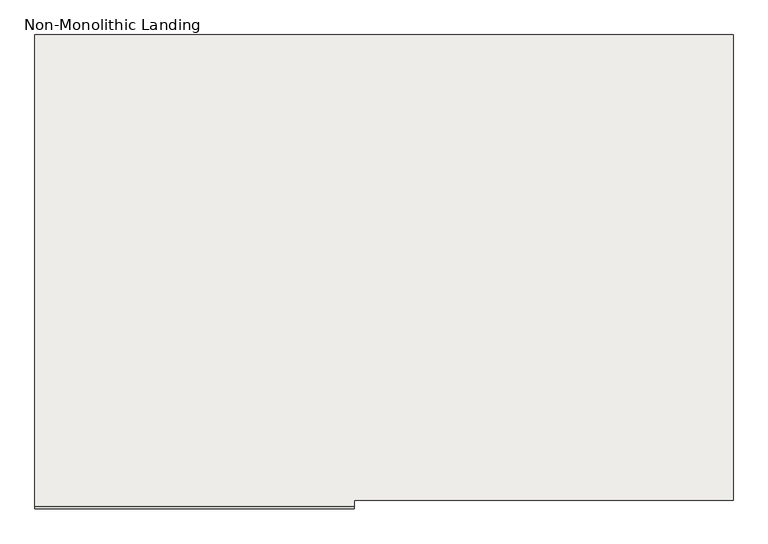
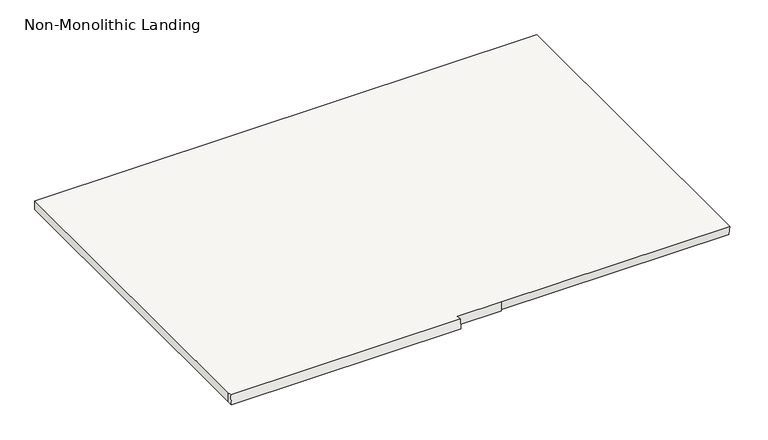
"""IFC4 building model written with IfcOpenShell, lengths in millimetres: slab geometry, Non-Monolithic Landing."""

from ifc_helpers import new_model, si_unit, origin, place, context, project, spatial, faceted_brep, source, transform, mapped, element, save


def non_monolithic_landing_603e83fd(model_context):
    return source(origin(), model_context, "Body", "Brep", [
        faceted_brep([(-21690.9759967, 13746.9510942, 1300.0), (-21690.9759967, 13739.2587865, 1250.0), (-20455.7759967, 13739.2587865, 1250.0), (-20455.7759967, 13746.9510942, 1300.0), (-18990.9759967, 13771.9510942, 1300.0), (-18990.9759967, 15571.9510942, 1300.0), (-21690.9759967, 15571.9510942, 1300.0), (-21690.9759967, 13771.9510942, 1300.0), (-20455.7759967, 13771.9510942, 1300.0), (-20221.0106474, 13771.9510942, 1300.0), (-21690.9759967, 15571.9510942, 1250.0), (-18990.9759967, 15571.9510942, 1250.0), (-18990.9759967, 13779.6434019, 1250.0), (-20221.0106474, 13779.6434019, 1250.0), (-20221.0106474, 13771.9510942, 1250.0), (-20455.7759967, 13771.9510942, 1250.0), (-21690.9759967, 13771.9510942, 1250.0)], [[[0, 1, 2, 3]], [[4, 5, 6, 7, 0, 3, 8, 9]], [[10, 11, 12, 13, 14, 15, 2, 1, 16]], [[5, 4, 12, 11]], [[6, 5, 11, 10]], [[7, 6, 10, 16]], [[0, 7, 16, 1]], [[8, 3, 2, 15]], [[9, 8, 15, 14]], [[13, 9, 14]], [[9, 13, 12, 4]]]),
    ])


if __name__ == "__main__":
    model = new_model("IFC4")
    model_context = context("Model", 3, world=origin())
    ifc_project = project(units=[si_unit("LENGTHUNIT", "METRE", prefix="MILLI")], contexts=[model_context])
    site = spatial("IfcSite", under=ifc_project)
    building = spatial("IfcBuilding", under=site)
    placement = place(None, origin())
    non_monolithic_landing_shape = non_monolithic_landing_603e83fd(model_context)
    element("IfcSlab", 1, ObjectType="Non-Monolithic Landing", at=placement, inside=building, context=model_context, shape_type="MappedRepresentation", body=[
        mapped(non_monolithic_landing_shape, transform((0.0, 0.0, 0.0), x_axis=(1.0, 0.0, 0.0), y_axis=(0.0, 1.0, 0.0), z_axis=(0.0, 0.0, 1.0))),
    ])
    save(model, "model.ifc")
